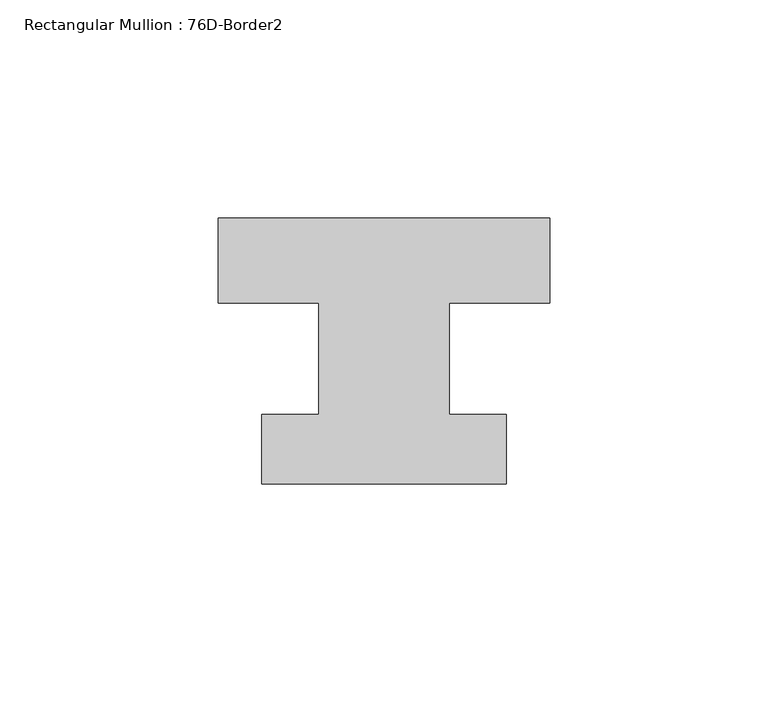
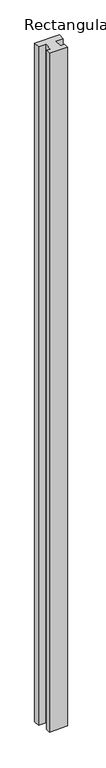
"""IFC4 building model written with IfcOpenShell, lengths in millimetres: member geometry, Rectangular Mullion : 76D-Border2."""

from ifc_helpers import new_model, si_unit, frame, origin, place, context, project, spatial, polyline, outline, extrude, source, transform, mapped, element, save


def rectangular_mullion_76d_border2_eeada589(model_context):
    return source(origin(), model_context, "Body", "SweptSolid", [
        extrude(outline(polyline([(0.0, 20.0), (0.0, 0.5), (-23.0, 0.5), (-23.0, -25.0), (-10.0, -25.0), (-10.0, -41.0), (-66.0, -41.0), (-66.0, -25.0), (-53.0, -25.0), (-53.0, 0.5), (-76.0, 0.5), (-76.0, 20.0), (0.0, 20.0)])), frame((0.0, 0.0, -2200.0), z_axis=(0.0, 0.0, 1.0), x_axis=(1.0, 0.0, 0.0)), (0.0, 0.0, 1.0), 2200.0),
    ])


if __name__ == "__main__":
    model = new_model("IFC4")
    model_context = context("Model", 3, world=origin())
    ifc_project = project(units=[si_unit("LENGTHUNIT", "METRE", prefix="MILLI")], contexts=[model_context])
    site = spatial("IfcSite", under=ifc_project)
    building = spatial("IfcBuilding", under=site)
    placement = place(None, origin())
    rectangular_mullion_76d_border2_shape = rectangular_mullion_76d_border2_eeada589(model_context)
    element("IfcMember", 1, ObjectType="Rectangular Mullion : 76D-Border2", at=placement, inside=building, context=model_context, shape_type="MappedRepresentation", body=[
        mapped(rectangular_mullion_76d_border2_shape, transform((0.0, 0.0, 0.0), x_axis=(1.0, 0.0, 0.0), y_axis=(0.0, 1.0, 0.0), z_axis=(0.0, 0.0, 1.0))),
    ])
    save(model, "model.ifc")
